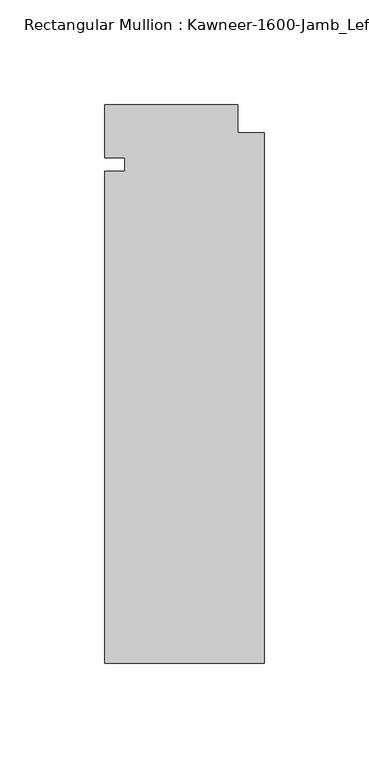
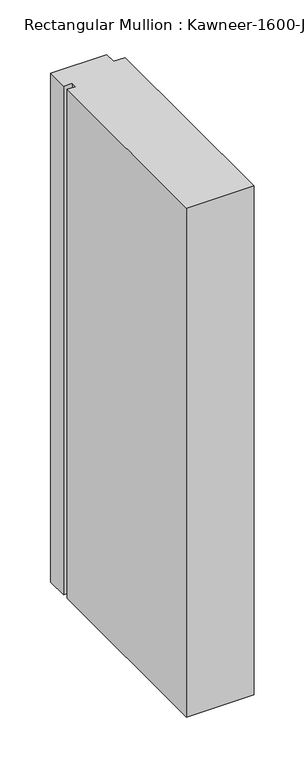
"""IFC4 building model written with IfcOpenShell, lengths in millimetres: member geometry."""

from ifc_helpers import new_model, si_unit, frame, origin, place, context, project, spatial, polyline, outline, extrude, source, transform, mapped, element, save


def member_97a33029(model_context):
    return source(origin(), model_context, "Body", "SweptSolid", [
        extrude(outline(polyline([(-76.2, -3.175), (-66.675, -3.175), (-66.675, 3.175), (-76.2, 3.175), (-76.2, 28.575), (-12.7, 28.575), (-12.7, 15.08125), (0.0, 15.08125), (0.0, -238.125), (-76.2, -238.125), (-76.2, -3.175)])), frame((0.0, 0.0, -609.6), z_axis=(0.0, 0.0, 1.0), x_axis=(1.0, 0.0, 0.0)), (0.0, 0.0, 1.0), 609.6),
    ])


if __name__ == "__main__":
    model = new_model("IFC4")
    model_context = context("Model", 3, world=origin())
    ifc_project = project(units=[si_unit("LENGTHUNIT", "METRE", prefix="MILLI")], contexts=[model_context])
    site = spatial("IfcSite", under=ifc_project)
    building = spatial("IfcBuilding", under=site)
    placement = place(None, origin())
    member_shape = member_97a33029(model_context)
    element("IfcMember", 1, ObjectType="Rectangular Mullion : Kawneer-1600-Jamb_Left-System1-10_1/2\"-1/4\"Infill", at=placement, inside=building, context=model_context, shape_type="MappedRepresentation", body=[
        mapped(member_shape, transform((0.0, 0.0, 0.0), x_axis=(1.0, 0.0, 0.0), y_axis=(0.0, 1.0, 0.0), z_axis=(0.0, 0.0, 1.0))),
    ])
    save(model, "model.ifc")
